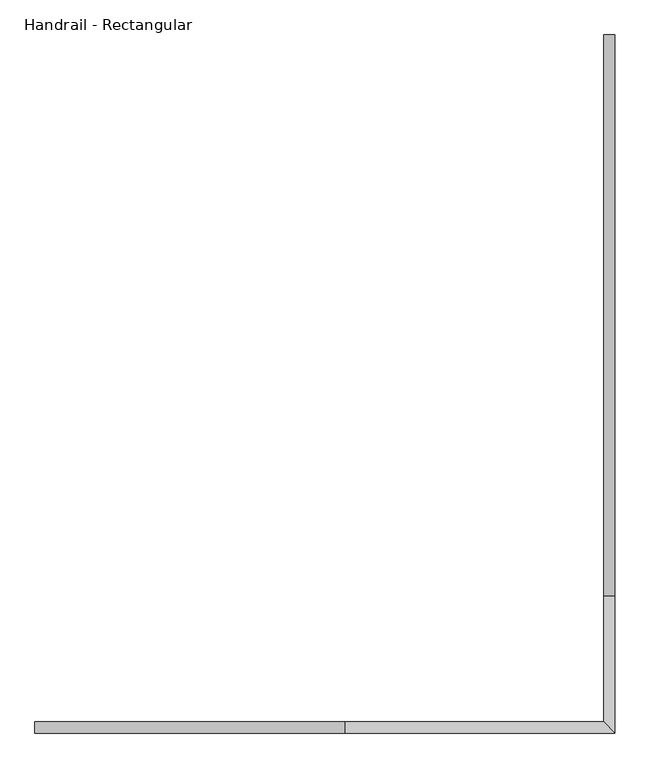
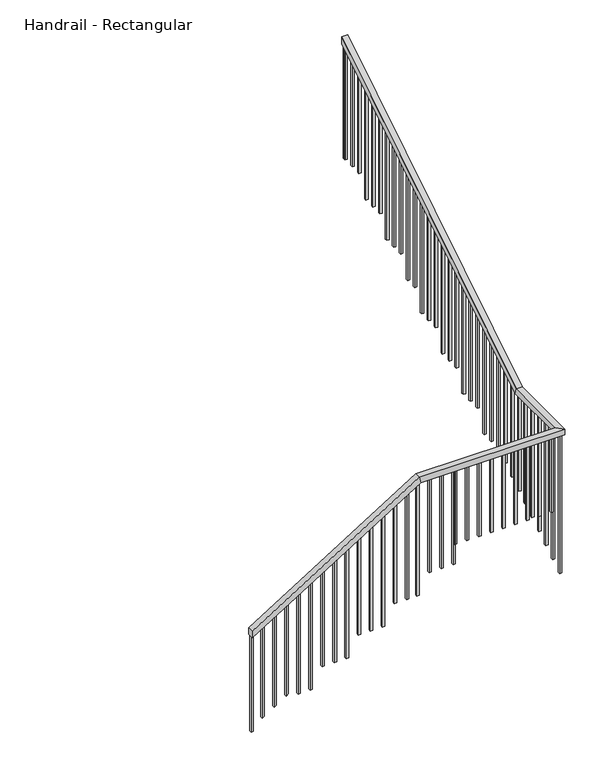
"""IFC4 building model written with IfcOpenShell, lengths in millimetres: railing geometry, Handrail - Rectangular."""

from ifc_helpers import new_model, si_unit, frame, origin, place, context, project, spatial, polyline, outline, extrude, faceted_brep, source, transform, mapped, element, save


def handrail_rectangular_4e12cff6(model_context):
    return source(origin(), model_context, "Body", "SolidModel", [
        faceted_brep([(9148.4276888, -7930.0004697, 882.7324675), (9148.4276888, -7879.2004697, 882.7324675), (9148.4276888, -7879.2004697, 822.8703542), (9148.4276888, -7930.0004697, 822.8703542), (10557.6287603, -7930.0004697, 1761.1954731), (10557.6287603, -7879.2004697, 1761.1954731), (10572.1659004, -7879.2004697, 1710.3954731), (10572.1659004, -7930.0004697, 1710.3954731), (11786.8526888, -7930.0004697, 1761.1954731), (11736.0526888, -7879.2004697, 1761.1954731), (11736.0526888, -7879.2004697, 1710.3954731), (11786.8526888, -7930.0004697, 1710.3954731), (11786.8526888, -7308.1993983, 1761.1954731), (11736.0526888, -7308.1993983, 1761.1954731), (11736.0526888, -7293.6622581, 1710.3954731), (11786.8526888, -7293.6622581, 1710.3954731), (11786.8526888, -4755.0004697, 3352.8), (11786.8526888, -4755.0004697, 3292.9378867), (11736.0526888, -4755.0004697, 3292.9378867), (11736.0526888, -4755.0004697, 3352.8)], [[[0, 1, 2, 3]], [[1, 0, 4, 5]], [[2, 1, 5, 6]], [[3, 2, 6, 7]], [[0, 3, 7, 4]], [[5, 4, 8, 9]], [[6, 5, 9, 10]], [[7, 6, 10, 11]], [[4, 7, 11, 8]], [[9, 8, 12, 13]], [[10, 9, 13, 14]], [[11, 10, 14, 15]], [[8, 11, 15, 12]], [[16, 17, 18, 19]], [[13, 12, 16, 19]], [[14, 13, 19, 18]], [[15, 14, 18, 17]], [[12, 15, 17, 16]]]),
        extrude(outline(polyline([(-4777.7243983, 3278.7723208), (-4758.6743983, 3290.6476455), (-4758.6743983, 2264.2285714), (-4777.7243983, 2264.2285714), (-4777.7243983, 3278.7723208)])), frame((11751.9276888, 0.0, 0.0), z_axis=(1.0, 0.0, 0.0), x_axis=(0.0, 1.0, 0.0)), (0.0, 0.0, 1.0), 19.05),
        extrude(outline(polyline([(-4879.3243983, 3215.4372559), (-4860.2743983, 3227.3125805), (-4860.2743983, 2264.2285714), (-4879.3243983, 2264.2285714), (-4879.3243983, 3215.4372559)])), frame((11751.9276888, 0.0, 0.0), z_axis=(1.0, 0.0, 0.0), x_axis=(0.0, 1.0, 0.0)), (0.0, 0.0, 1.0), 19.05),
        extrude(outline(polyline([(-4980.9243983, 3152.1021909), (-4961.8743983, 3163.9775156), (-4961.8743983, 2264.2285714), (-4980.9243983, 2264.2285714), (-4980.9243983, 3152.1021909)])), frame((11751.9276888, 0.0, 0.0), z_axis=(1.0, 0.0, 0.0), x_axis=(0.0, 1.0, 0.0)), (0.0, 0.0, 1.0), 19.05),
        extrude(outline(polyline([(-5082.5243983, 3088.767126), (-5063.4743983, 3100.6424507), (-5063.4743983, 2090.0571429), (-5082.5243983, 2090.0571429), (-5082.5243983, 3088.767126)])), frame((11751.9276888, 0.0, 0.0), z_axis=(1.0, 0.0, 0.0), x_axis=(0.0, 1.0, 0.0)), (0.0, 0.0, 1.0), 19.05),
        extrude(outline(polyline([(-5184.1243983, 3025.4320611), (-5165.0743983, 3037.3073857), (-5165.0743983, 2090.0571429), (-5184.1243983, 2090.0571429), (-5184.1243983, 3025.4320611)])), frame((11751.9276888, 0.0, 0.0), z_axis=(1.0, 0.0, 0.0), x_axis=(0.0, 1.0, 0.0)), (0.0, 0.0, 1.0), 19.05),
        extrude(outline(polyline([(-5285.7243983, 2962.0969961), (-5266.6743983, 2973.9723208), (-5266.6743983, 2090.0571429), (-5285.7243983, 2090.0571429), (-5285.7243983, 2962.0969961)])), frame((11751.9276888, 0.0, 0.0), z_axis=(1.0, 0.0, 0.0), x_axis=(0.0, 1.0, 0.0)), (0.0, 0.0, 1.0), 19.05),
        extrude(outline(polyline([(-5387.3243983, 2898.7619312), (-5368.2743983, 2910.6372559), (-5368.2743983, 1915.8857143), (-5387.3243983, 1915.8857143), (-5387.3243983, 2898.7619312)])), frame((11751.9276888, 0.0, 0.0), z_axis=(1.0, 0.0, 0.0), x_axis=(0.0, 1.0, 0.0)), (0.0, 0.0, 1.0), 19.05),
        extrude(outline(polyline([(-5488.9243983, 2835.4268663), (-5469.8743983, 2847.3021909), (-5469.8743983, 1915.8857143), (-5488.9243983, 1915.8857143), (-5488.9243983, 2835.4268663)])), frame((11751.9276888, 0.0, 0.0), z_axis=(1.0, 0.0, 0.0), x_axis=(0.0, 1.0, 0.0)), (0.0, 0.0, 1.0), 19.05),
        extrude(outline(polyline([(-5590.5243983, 2772.0918013), (-5571.4743983, 2783.967126), (-5571.4743983, 1915.8857143), (-5590.5243983, 1915.8857143), (-5590.5243983, 2772.0918013)])), frame((11751.9276888, 0.0, 0.0), z_axis=(1.0, 0.0, 0.0), x_axis=(0.0, 1.0, 0.0)), (0.0, 0.0, 1.0), 19.05),
        extrude(outline(polyline([(-5692.1243983, 2708.7567364), (-5673.0743983, 2720.6320611), (-5673.0743983, 1741.7142857), (-5692.1243983, 1741.7142857), (-5692.1243983, 2708.7567364)])), frame((11751.9276888, 0.0, 0.0), z_axis=(1.0, 0.0, 0.0), x_axis=(0.0, 1.0, 0.0)), (0.0, 0.0, 1.0), 19.05),
        extrude(outline(polyline([(-5793.7243983, 2645.4216715), (-5774.6743983, 2657.2969961), (-5774.6743983, 1741.7142857), (-5793.7243983, 1741.7142857), (-5793.7243983, 2645.4216715)])), frame((11751.9276888, 0.0, 0.0), z_axis=(1.0, 0.0, 0.0), x_axis=(0.0, 1.0, 0.0)), (0.0, 0.0, 1.0), 19.05),
        extrude(outline(polyline([(-5895.3243983, 2582.0866065), (-5876.2743983, 2593.9619312), (-5876.2743983, 1567.5428571), (-5895.3243983, 1567.5428571), (-5895.3243983, 2582.0866065)])), frame((11751.9276888, 0.0, 0.0), z_axis=(1.0, 0.0, 0.0), x_axis=(0.0, 1.0, 0.0)), (0.0, 0.0, 1.0), 19.05),
        extrude(outline(polyline([(-5996.9243983, 2518.7515416), (-5977.8743983, 2530.6268663), (-5977.8743983, 1567.5428571), (-5996.9243983, 1567.5428571), (-5996.9243983, 2518.7515416)])), frame((11751.9276888, 0.0, 0.0), z_axis=(1.0, 0.0, 0.0), x_axis=(0.0, 1.0, 0.0)), (0.0, 0.0, 1.0), 19.05),
        extrude(outline(polyline([(-6098.5243983, 2455.4164766), (-6079.4743983, 2467.2918013), (-6079.4743983, 1567.5428571), (-6098.5243983, 1567.5428571), (-6098.5243983, 2455.4164766)])), frame((11751.9276888, 0.0, 0.0), z_axis=(1.0, 0.0, 0.0), x_axis=(0.0, 1.0, 0.0)), (0.0, 0.0, 1.0), 19.05),
        extrude(outline(polyline([(-6200.1243983, 2392.0814117), (-6181.0743983, 2403.9567364), (-6181.0743983, 1393.3714286), (-6200.1243983, 1393.3714286), (-6200.1243983, 2392.0814117)])), frame((11751.9276888, 0.0, 0.0), z_axis=(1.0, 0.0, 0.0), x_axis=(0.0, 1.0, 0.0)), (0.0, 0.0, 1.0), 19.05),
        extrude(outline(polyline([(-6301.7243983, 2328.7463468), (-6282.6743983, 2340.6216715), (-6282.6743983, 1393.3714286), (-6301.7243983, 1393.3714286), (-6301.7243983, 2328.7463468)])), frame((11751.9276888, 0.0, 0.0), z_axis=(1.0, 0.0, 0.0), x_axis=(0.0, 1.0, 0.0)), (0.0, 0.0, 1.0), 19.05),
        extrude(outline(polyline([(-6403.3243983, 2265.4112818), (-6384.2743983, 2277.2866065), (-6384.2743983, 1393.3714286), (-6403.3243983, 1393.3714286), (-6403.3243983, 2265.4112818)])), frame((11751.9276888, 0.0, 0.0), z_axis=(1.0, 0.0, 0.0), x_axis=(0.0, 1.0, 0.0)), (0.0, 0.0, 1.0), 19.05),
        extrude(outline(polyline([(-6504.9243983, 2202.0762169), (-6485.8743983, 2213.9515416), (-6485.8743983, 1219.2), (-6504.9243983, 1219.2), (-6504.9243983, 2202.0762169)])), frame((11751.9276888, 0.0, 0.0), z_axis=(1.0, 0.0, 0.0), x_axis=(0.0, 1.0, 0.0)), (0.0, 0.0, 1.0), 19.05),
        extrude(outline(polyline([(-6606.5243983, 2138.741152), (-6587.4743983, 2150.6164766), (-6587.4743983, 1219.2), (-6606.5243983, 1219.2), (-6606.5243983, 2138.741152)])), frame((11751.9276888, 0.0, 0.0), z_axis=(1.0, 0.0, 0.0), x_axis=(0.0, 1.0, 0.0)), (0.0, 0.0, 1.0), 19.05),
        extrude(outline(polyline([(-6708.1243983, 2075.406087), (-6689.0743983, 2087.2814117), (-6689.0743983, 1219.2), (-6708.1243983, 1219.2), (-6708.1243983, 2075.406087)])), frame((11751.9276888, 0.0, 0.0), z_axis=(1.0, 0.0, 0.0), x_axis=(0.0, 1.0, 0.0)), (0.0, 0.0, 1.0), 19.05),
        extrude(outline(polyline([(-6809.7243983, 2012.0710221), (-6790.6743983, 2023.9463468), (-6790.6743983, 1045.0285714), (-6809.7243983, 1045.0285714), (-6809.7243983, 2012.0710221)])), frame((11751.9276888, 0.0, 0.0), z_axis=(1.0, 0.0, 0.0), x_axis=(0.0, 1.0, 0.0)), (0.0, 0.0, 1.0), 19.05),
        extrude(outline(polyline([(-6911.3243983, 1948.7359572), (-6892.2743983, 1960.6112818), (-6892.2743983, 1045.0285714), (-6911.3243983, 1045.0285714), (-6911.3243983, 1948.7359572)])), frame((11751.9276888, 0.0, 0.0), z_axis=(1.0, 0.0, 0.0), x_axis=(0.0, 1.0, 0.0)), (0.0, 0.0, 1.0), 19.05),
        extrude(outline(polyline([(-7012.9243983, 1885.4008922), (-6993.8743983, 1897.2762169), (-6993.8743983, 1036.8006679), (-7012.9243983, 1036.8006679), (-7012.9243983, 1885.4008922)])), frame((11751.9276888, 0.0, 0.0), z_axis=(1.0, 0.0, 0.0), x_axis=(0.0, 1.0, 0.0)), (0.0, 0.0, 1.0), 19.05),
        extrude(outline(polyline([(-7114.5243983, 1822.0658273), (-7095.4743983, 1833.941152), (-7095.4743983, 973.465603), (-7114.5243983, 973.465603), (-7114.5243983, 1822.0658273)])), frame((11751.9276888, 0.0, 0.0), z_axis=(1.0, 0.0, 0.0), x_axis=(0.0, 1.0, 0.0)), (0.0, 0.0, 1.0), 19.05),
        extrude(outline(polyline([(-7216.1243983, 1758.7307624), (-7197.0743983, 1770.606087), (-7197.0743983, 910.130538), (-7216.1243983, 910.130538), (-7216.1243983, 1758.7307624)])), frame((11751.9276888, 0.0, 0.0), z_axis=(1.0, 0.0, 0.0), x_axis=(0.0, 1.0, 0.0)), (0.0, 0.0, 1.0), 19.05),
        extrude(outline(polyline([(11770.9776888, -7406.1254697), (11751.9276888, -7406.1254697), (11751.9276888, -7387.0754697), (11770.9776888, -7387.0754697), (11770.9776888, -7406.1254697)])), frame((0.0, 0.0, 791.6883117), z_axis=(0.0, 0.0, 1.0), x_axis=(1.0, 0.0, 0.0)), (0.0, 0.0, 1.0), 918.7071614),
        extrude(outline(polyline([(11770.9776888, -7507.7254697), (11751.9276888, -7507.7254697), (11751.9276888, -7488.6754697), (11770.9776888, -7488.6754697), (11770.9776888, -7507.7254697)])), frame((0.0, 0.0, 728.3532468), z_axis=(0.0, 0.0, 1.0), x_axis=(1.0, 0.0, 0.0)), (0.0, 0.0, 1.0), 982.0422263),
        extrude(outline(polyline([(11770.9776888, -7609.3254697), (11751.9276888, -7609.3254697), (11751.9276888, -7590.2754697), (11770.9776888, -7590.2754697), (11770.9776888, -7609.3254697)])), frame((0.0, 0.0, 665.0181818), z_axis=(0.0, 0.0, 1.0), x_axis=(1.0, 0.0, 0.0)), (0.0, 0.0, 1.0), 1045.3772913),
        extrude(outline(polyline([(11770.9776888, -7710.9254697), (11751.9276888, -7710.9254697), (11751.9276888, -7691.8754697), (11770.9776888, -7691.8754697), (11770.9776888, -7710.9254697)])), frame((0.0, 0.0, 601.6831169), z_axis=(0.0, 0.0, 1.0), x_axis=(1.0, 0.0, 0.0)), (0.0, 0.0, 1.0), 1108.7123562),
        extrude(outline(polyline([(11770.9776888, -7812.5254697), (11751.9276888, -7812.5254697), (11751.9276888, -7793.4754697), (11770.9776888, -7793.4754697), (11770.9776888, -7812.5254697)])), frame((0.0, 0.0, 538.3480519), z_axis=(0.0, 0.0, 1.0), x_axis=(1.0, 0.0, 0.0)), (0.0, 0.0, 1.0), 1172.0474212),
        extrude(outline(polyline([(11678.9026888, -7914.1254697), (11678.9026888, -7895.0754697), (11697.9526888, -7895.0754697), (11697.9526888, -7914.1254697), (11678.9026888, -7914.1254697)])), frame((0.0, 0.0, 1045.0285714), z_axis=(0.0, 0.0, 1.0), x_axis=(1.0, 0.0, 0.0)), (0.0, 0.0, 1.0), 665.3669017),
        extrude(outline(polyline([(11577.3026888, -7914.1254697), (11577.3026888, -7895.0754697), (11596.3526888, -7895.0754697), (11596.3526888, -7914.1254697), (11577.3026888, -7914.1254697)])), frame((0.0, 0.0, 1045.0285714), z_axis=(0.0, 0.0, 1.0), x_axis=(1.0, 0.0, 0.0)), (0.0, 0.0, 1.0), 665.3669017),
        extrude(outline(polyline([(11475.7026888, -7914.1254697), (11475.7026888, -7895.0754697), (11494.7526888, -7895.0754697), (11494.7526888, -7914.1254697), (11475.7026888, -7914.1254697)])), frame((0.0, 0.0, 1045.0285714), z_axis=(0.0, 0.0, 1.0), x_axis=(1.0, 0.0, 0.0)), (0.0, 0.0, 1.0), 665.3669017),
        extrude(outline(polyline([(11374.1026888, -7914.1254697), (11374.1026888, -7895.0754697), (11393.1526888, -7895.0754697), (11393.1526888, -7914.1254697), (11374.1026888, -7914.1254697)])), frame((0.0, 0.0, 1045.0285714), z_axis=(0.0, 0.0, 1.0), x_axis=(1.0, 0.0, 0.0)), (0.0, 0.0, 1.0), 665.3669017),
        extrude(outline(polyline([(11272.5026888, -7914.1254697), (11272.5026888, -7895.0754697), (11291.5526888, -7895.0754697), (11291.5526888, -7914.1254697), (11272.5026888, -7914.1254697)])), frame((0.0, 0.0, 1045.0285714), z_axis=(0.0, 0.0, 1.0), x_axis=(1.0, 0.0, 0.0)), (0.0, 0.0, 1.0), 665.3669017),
        extrude(outline(polyline([(11170.9026888, -7914.1254697), (11170.9026888, -7895.0754697), (11189.9526888, -7895.0754697), (11189.9526888, -7914.1254697), (11170.9026888, -7914.1254697)])), frame((0.0, 0.0, 1045.0285714), z_axis=(0.0, 0.0, 1.0), x_axis=(1.0, 0.0, 0.0)), (0.0, 0.0, 1.0), 665.3669017),
        extrude(outline(polyline([(11069.3026888, -7914.1254697), (11069.3026888, -7895.0754697), (11088.3526888, -7895.0754697), (11088.3526888, -7914.1254697), (11069.3026888, -7914.1254697)])), frame((0.0, 0.0, 1045.0285714), z_axis=(0.0, 0.0, 1.0), x_axis=(1.0, 0.0, 0.0)), (0.0, 0.0, 1.0), 665.3669017),
        extrude(outline(polyline([(10967.7026888, -7914.1254697), (10967.7026888, -7895.0754697), (10986.7526888, -7895.0754697), (10986.7526888, -7914.1254697), (10967.7026888, -7914.1254697)])), frame((0.0, 0.0, 1045.0285714), z_axis=(0.0, 0.0, 1.0), x_axis=(1.0, 0.0, 0.0)), (0.0, 0.0, 1.0), 665.3669017),
        extrude(outline(polyline([(10852.9037603, -7914.1254697), (10852.9037603, -7895.0754697), (10871.9537603, -7895.0754697), (10871.9537603, -7914.1254697), (10852.9037603, -7914.1254697)])), frame((0.0, 0.0, 870.8571429), z_axis=(0.0, 0.0, 1.0), x_axis=(1.0, 0.0, 0.0)), (0.0, 0.0, 1.0), 839.5383302),
        extrude(outline(polyline([(10751.3037603, -7914.1254697), (10751.3037603, -7895.0754697), (10770.3537603, -7895.0754697), (10770.3537603, -7914.1254697), (10751.3037603, -7914.1254697)])), frame((0.0, 0.0, 870.8571429), z_axis=(0.0, 0.0, 1.0), x_axis=(1.0, 0.0, 0.0)), (0.0, 0.0, 1.0), 839.5383302),
        extrude(outline(polyline([(10649.7037603, -7914.1254697), (10649.7037603, -7895.0754697), (10668.7537603, -7895.0754697), (10668.7537603, -7914.1254697), (10649.7037603, -7914.1254697)])), frame((0.0, 0.0, 870.8571429), z_axis=(0.0, 0.0, 1.0), x_axis=(1.0, 0.0, 0.0)), (0.0, 0.0, 1.0), 839.5383302),
        extrude(outline(polyline([(1652.1638607, 10478.7526888), (1640.288536, 10459.7026888), (696.6857143, 10459.7026888), (696.6857143, 10478.7526888), (1652.1638607, 10478.7526888)])), frame((0.0, -7914.1254697, 0.0), z_axis=(0.0, 1.0, 0.0), x_axis=(0.0, 0.0, 1.0)), (0.0, 0.0, 1.0), 19.05),
        extrude(outline(polyline([(1588.8287958, 10377.1526888), (1576.9534711, 10358.1026888), (696.6857143, 10358.1026888), (696.6857143, 10377.1526888), (1588.8287958, 10377.1526888)])), frame((0.0, -7914.1254697, 0.0), z_axis=(0.0, 1.0, 0.0), x_axis=(0.0, 0.0, 1.0)), (0.0, 0.0, 1.0), 19.05),
        extrude(outline(polyline([(1525.4937308, 10275.5526888), (1513.6184061, 10256.5026888), (522.5142857, 10256.5026888), (522.5142857, 10275.5526888), (1525.4937308, 10275.5526888)])), frame((0.0, -7914.1254697, 0.0), z_axis=(0.0, 1.0, 0.0), x_axis=(0.0, 0.0, 1.0)), (0.0, 0.0, 1.0), 19.05),
        extrude(outline(polyline([(1462.1586659, 10173.9526888), (1450.2833412, 10154.9026888), (522.5142857, 10154.9026888), (522.5142857, 10173.9526888), (1462.1586659, 10173.9526888)])), frame((0.0, -7914.1254697, 0.0), z_axis=(0.0, 1.0, 0.0), x_axis=(0.0, 0.0, 1.0)), (0.0, 0.0, 1.0), 19.05),
        extrude(outline(polyline([(1398.823601, 10072.3526888), (1386.9482763, 10053.3026888), (522.5142857, 10053.3026888), (522.5142857, 10072.3526888), (1398.823601, 10072.3526888)])), frame((0.0, -7914.1254697, 0.0), z_axis=(0.0, 1.0, 0.0), x_axis=(0.0, 0.0, 1.0)), (0.0, 0.0, 1.0), 19.05),
        extrude(outline(polyline([(1335.488536, 9970.7526888), (1323.6132113, 9951.7026888), (348.3428571, 9951.7026888), (348.3428571, 9970.7526888), (1335.488536, 9970.7526888)])), frame((0.0, -7914.1254697, 0.0), z_axis=(0.0, 1.0, 0.0), x_axis=(0.0, 0.0, 1.0)), (0.0, 0.0, 1.0), 19.05),
        extrude(outline(polyline([(1272.1534711, 9869.1526888), (1260.2781464, 9850.1026888), (348.3428571, 9850.1026888), (348.3428571, 9869.1526888), (1272.1534711, 9869.1526888)])), frame((0.0, -7914.1254697, 0.0), z_axis=(0.0, 1.0, 0.0), x_axis=(0.0, 0.0, 1.0)), (0.0, 0.0, 1.0), 19.05),
        extrude(outline(polyline([(1208.8184061, 9767.5526888), (1196.9430815, 9748.5026888), (348.3428571, 9748.5026888), (348.3428571, 9767.5526888), (1208.8184061, 9767.5526888)])), frame((0.0, -7914.1254697, 0.0), z_axis=(0.0, 1.0, 0.0), x_axis=(0.0, 0.0, 1.0)), (0.0, 0.0, 1.0), 19.05),
        extrude(outline(polyline([(1145.4833412, 9665.9526888), (1133.6080165, 9646.9026888), (174.1714286, 9646.9026888), (174.1714286, 9665.9526888), (1145.4833412, 9665.9526888)])), frame((0.0, -7914.1254697, 0.0), z_axis=(0.0, 1.0, 0.0), x_axis=(0.0, 0.0, 1.0)), (0.0, 0.0, 1.0), 19.05),
        extrude(outline(polyline([(1082.1482763, 9564.3526888), (1070.2729516, 9545.3026888), (174.1714286, 9545.3026888), (174.1714286, 9564.3526888), (1082.1482763, 9564.3526888)])), frame((0.0, -7914.1254697, 0.0), z_axis=(0.0, 1.0, 0.0), x_axis=(0.0, 0.0, 1.0)), (0.0, 0.0, 1.0), 19.05),
        extrude(outline(polyline([(1018.8132113, 9462.7526888), (1006.9378867, 9443.7026888), (191.981402, 9443.7026888), (203.8567266, 9462.7526888), (1018.8132113, 9462.7526888)])), frame((0.0, -7914.1254697, 0.0), z_axis=(0.0, 1.0, 0.0), x_axis=(0.0, 0.0, 1.0)), (0.0, 0.0, 1.0), 19.05),
        extrude(outline(polyline([(955.4781464, 9361.1526888), (943.6028217, 9342.1026888), (128.646337, 9342.1026888), (140.5216617, 9361.1526888), (955.4781464, 9361.1526888)])), frame((0.0, -7914.1254697, 0.0), z_axis=(0.0, 1.0, 0.0), x_axis=(0.0, 0.0, 1.0)), (0.0, 0.0, 1.0), 19.05),
        extrude(outline(polyline([(892.1430815, 9259.5526888), (880.2677568, 9240.5026888), (65.3112721, 9240.5026888), (77.1865968, 9259.5526888), (892.1430815, 9259.5526888)])), frame((0.0, -7914.1254697, 0.0), z_axis=(0.0, 1.0, 0.0), x_axis=(0.0, 0.0, 1.0)), (0.0, 0.0, 1.0), 19.05),
        extrude(outline(polyline([(11770.9776888, -7317.7243983), (11751.9276888, -7317.7243983), (11751.9276888, -7298.6743983), (11770.9776888, -7298.6743983), (11770.9776888, -7317.7243983)])), frame((0.0, 0.0, 846.7954731), z_axis=(0.0, 0.0, 1.0), x_axis=(1.0, 0.0, 0.0)), (0.0, 0.0, 1.0), 863.6),
        extrude(outline(polyline([(11751.9276888, -7914.1254697), (11751.9276888, -7895.0754697), (11770.9776888, -7895.0754697), (11770.9776888, -7914.1254697), (11751.9276888, -7914.1254697)])), frame((0.0, 0.0, 475.012987), z_axis=(0.0, 0.0, 1.0), x_axis=(1.0, 0.0, 0.0)), (0.0, 0.0, 1.0), 1235.3824861),
        extrude(outline(polyline([(10866.1026888, -7914.1254697), (10866.1026888, -7895.0754697), (10885.1526888, -7895.0754697), (10885.1526888, -7914.1254697), (10866.1026888, -7914.1254697)])), frame((0.0, 0.0, 1045.0285714), z_axis=(0.0, 0.0, 1.0), x_axis=(1.0, 0.0, 0.0)), (0.0, 0.0, 1.0), 665.3669017),
        extrude(outline(polyline([(1707.2710221, 10567.1537603), (1695.3956974, 10548.1037603), (696.6857143, 10548.1037603), (696.6857143, 10567.1537603), (1707.2710221, 10567.1537603)])), frame((0.0, -7914.1254697, 0.0), z_axis=(0.0, 1.0, 0.0), x_axis=(0.0, 0.0, 1.0)), (0.0, 0.0, 1.0), 19.05),
        extrude(outline(polyline([(-4774.0504697, 3281.062562), (-4755.0004697, 3292.9378867), (-4755.0004697, 2264.2285714), (-4774.0504697, 2264.2285714), (-4774.0504697, 3281.062562)])), frame((11751.9276888, 0.0, 0.0), z_axis=(1.0, 0.0, 0.0), x_axis=(0.0, 1.0, 0.0)), (0.0, 0.0, 1.0), 19.05),
        extrude(outline(polyline([(834.7456789, 9167.4776888), (822.8703542, 9148.4276888), (-25.7298701, 9148.4276888), (-25.7298701, 9167.4776888), (834.7456789, 9167.4776888)])), frame((0.0, -7914.1254697, 0.0), z_axis=(0.0, 1.0, 0.0), x_axis=(0.0, 0.0, 1.0)), (0.0, 0.0, 1.0), 19.05),
    ])


if __name__ == "__main__":
    model = new_model("IFC4")
    model_context = context("Model", 3, world=origin())
    ifc_project = project(units=[si_unit("LENGTHUNIT", "METRE", prefix="MILLI")], contexts=[model_context])
    site = spatial("IfcSite", under=ifc_project)
    building = spatial("IfcBuilding", under=site)
    placement = place(None, origin())
    handrail_rectangular_shape = handrail_rectangular_4e12cff6(model_context)
    element("IfcRailing", 1, ObjectType="Handrail - Rectangular", at=placement, inside=building, context=model_context, shape_type="MappedRepresentation", body=[
        mapped(handrail_rectangular_shape, transform((0.0, 0.0, 0.0), x_axis=(1.0, 0.0, 0.0), y_axis=(0.0, 1.0, 0.0), z_axis=(0.0, 0.0, 1.0))),
    ])
    save(model, "model.ifc")
